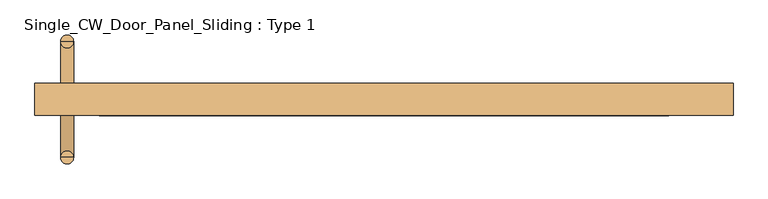
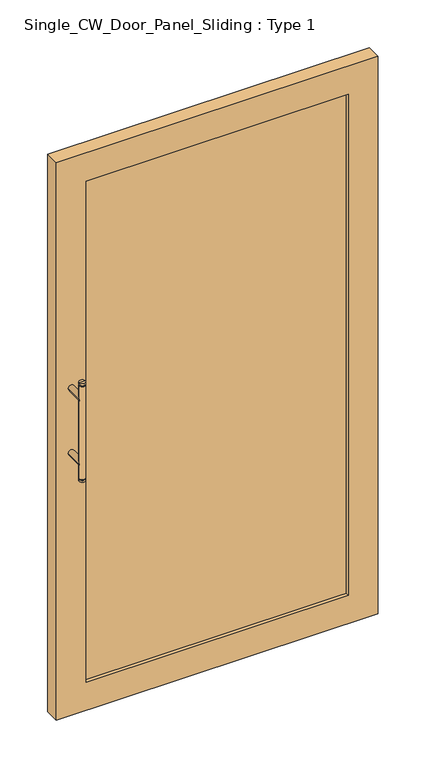
"""IFC4 building model written with IfcOpenShell, lengths in millimetres: door geometry, Single_CW_Door_Panel_Sliding : Type 1."""

from ifc_helpers import new_model, si_unit, point, frame, frame_2d, origin, place, context, project, spatial, polyline, circle_curve, trimmed, segment, composite_curve, outline, extrude, source, transform, mapped, element, save
from ifc_brep_helpers import plane_surface, cylinder_surface, advanced_brep


def single_cw_door_panel_sliding_type_1_cf490c95(model_context):
    return source(origin(), model_context, "Body", "SolidModel", [
        advanced_brep(
        [(-481.5374871, -90.0, 1219.0), (-481.5374871, -90.0, 1225.0), (-501.5374871, -90.0, 1225.0), (-501.5374871, -90.0, 1219.0), (-499.5698372, -90.0, 1214.7650043), (-499.5698372, -90.0, 1219.0), (-483.505137, -90.0, 1219.0), (-483.505137, -90.0, 1214.7650043), (-481.5374871, -90.0, 1214.7650043), (-501.5374871, -90.0, 1214.7650043), (-481.5374871, -90.0, 885.2349957), (-501.5374871, -90.0, 885.2349957), (-483.505137, -90.0, 885.2349957), (-499.5698372, -90.0, 885.2349957), (-483.505137, -90.0, 881.0), (-499.5698372, -90.0, 881.0), (-481.5374871, -90.0, 881.0), (-501.5374871, -90.0, 881.0), (-481.5374871, -90.0, 875.0), (-501.5374871, -90.0, 875.0), (-491.5374871, -90.0, 875.0), (-491.5374871, -90.0, 1225.0)],
        [
            (0, 1),
            (1, 2, circle_curve(frame((-491.5374871, -90.0, 1225.0), z_axis=(0.0, 0.0, -1.0), x_axis=(-1.0, 0.0, 0.0)), 10.0)),
            (2, 3),
            (3, 0, circle_curve(frame((-491.5374871, -90.0, 1219.0), z_axis=(0.0, 0.0, 1.0), x_axis=(-1.0, 0.0, 0.0)), 10.0)),
            (4, 5),
            (5, 6, circle_curve(frame((-491.5374871, -90.0, 1219.0), z_axis=(0.0, 0.0, -1.0), x_axis=(-1.0, 0.0, 0.0)), 8.0323501)),
            (6, 7),
            (7, 4, circle_curve(frame((-491.5374871, -90.0, 1214.7650043), z_axis=(0.0, 0.0, 1.0), x_axis=(-1.0, 0.0, 0.0)), 8.0323501)),
            (2, 1, circle_curve(frame((-491.5374871, -90.0, 1225.0), z_axis=(0.0, 0.0, -1.0), x_axis=(-1.0, 0.0, 0.0)), 10.0)),
            (0, 3, circle_curve(frame((-491.5374871, -90.0, 1219.0), z_axis=(0.0, 0.0, 1.0), x_axis=(-1.0, 0.0, 0.0)), 10.0)),
            (6, 0),
            (3, 5),
            (5, 6, circle_curve(frame((-491.5374871, -90.0, 1219.0), z_axis=(0.0, 0.0, 1.0), x_axis=(-1.0, 0.0, 0.0)), 8.0323501)),
            (4, 7, circle_curve(frame((-491.5374871, -90.0, 1214.7650043), z_axis=(0.0, 0.0, 1.0), x_axis=(-1.0, 0.0, 0.0)), 8.0323501)),
            (8, 7),
            (4, 9),
            (9, 8, circle_curve(frame((-491.5374871, -90.0, 1214.7650043), z_axis=(0.0, 0.0, 1.0), x_axis=(-1.0, 0.0, 0.0)), 10.0)),
            (8, 9, circle_curve(frame((-491.5374871, -90.0, 1214.7650043), z_axis=(0.0, 0.0, 1.0), x_axis=(-1.0, 0.0, 0.0)), 10.0)),
            (10, 8),
            (9, 11),
            (11, 10, circle_curve(frame((-491.5374871, -90.0, 885.2349957), z_axis=(0.0, 0.0, 1.0), x_axis=(-1.0, 0.0, 0.0)), 10.0)),
            (10, 11, circle_curve(frame((-491.5374871, -90.0, 885.2349957), z_axis=(0.0, 0.0, 1.0), x_axis=(-1.0, 0.0, 0.0)), 10.0)),
            (12, 10),
            (11, 13),
            (13, 12, circle_curve(frame((-491.5374871, -90.0, 885.2349957), z_axis=(0.0, 0.0, 1.0), x_axis=(-1.0, 0.0, 0.0)), 8.0323501)),
            (12, 13, circle_curve(frame((-491.5374871, -90.0, 885.2349957), z_axis=(0.0, 0.0, 1.0), x_axis=(-1.0, 0.0, 0.0)), 8.0323501)),
            (14, 12),
            (13, 15),
            (15, 14, circle_curve(frame((-491.5374871, -90.0, 881.0), z_axis=(0.0, 0.0, 1.0), x_axis=(-1.0, 0.0, 0.0)), 8.0323501)),
            (14, 15, circle_curve(frame((-491.5374871, -90.0, 881.0), z_axis=(0.0, 0.0, 1.0), x_axis=(-1.0, 0.0, 0.0)), 8.0323501)),
            (16, 14),
            (15, 17),
            (17, 16, circle_curve(frame((-491.5374871, -90.0, 881.0), z_axis=(0.0, 0.0, 1.0), x_axis=(-1.0, 0.0, 0.0)), 10.0)),
            (16, 17, circle_curve(frame((-491.5374871, -90.0, 881.0), z_axis=(0.0, 0.0, 1.0), x_axis=(-1.0, 0.0, 0.0)), 10.0)),
            (18, 16),
            (17, 19),
            (19, 18, circle_curve(frame((-491.5374871, -90.0, 875.0), z_axis=(0.0, 0.0, 1.0), x_axis=(-1.0, 0.0, 0.0)), 10.0)),
            (18, 19, circle_curve(frame((-491.5374871, -90.0, 875.0), z_axis=(0.0, 0.0, 1.0), x_axis=(-1.0, 0.0, 0.0)), 10.0)),
            (20, 18),
            (19, 20),
            (1, 21),
            (21, 2),
        ],
        [
            cylinder_surface(frame((-491.5374871, -90.0, 850.0), z_axis=(0.0, 0.0, -1.0), x_axis=(-1.0, 0.0, 0.0)), 10.0),
            cylinder_surface(frame((-491.5374871, -90.0, 850.0), z_axis=(0.0, 0.0, -1.0), x_axis=(-1.0, 0.0, 0.0)), 8.0323501),
            plane_surface(frame((-491.5374871, -90.0, 1219.0), z_axis=(0.0, 0.0, -1.0), x_axis=(-1.0, 0.0, 0.0))),
            plane_surface(frame((-491.5374871, -90.0, 1214.7650043), z_axis=(0.0, 0.0, 1.0), x_axis=(-1.0, 0.0, 0.0))),
            plane_surface(frame((-491.5374871, -90.0, 885.2349957), z_axis=(0.0, 0.0, -1.0), x_axis=(-1.0, 0.0, 0.0))),
            plane_surface(frame((-491.5374871, -90.0, 881.0), z_axis=(0.0, 0.0, 1.0), x_axis=(-1.0, 0.0, 0.0))),
            plane_surface(frame((-491.5374871, -90.0, 875.0), z_axis=(0.0, 0.0, -1.0), x_axis=(-1.0, 0.0, 0.0))),
            plane_surface(frame((-491.5374871, -90.0, 1225.0), z_axis=(0.0, 0.0, 1.0), x_axis=(-1.0, 0.0, 0.0))),
        ],
        [
            (0, [[1, 2, 3, 4]]),
            (1, [[5, 6, 7, 8]]),
            (0, [[-3, 9, -1, 10]]),
            (2, [[11, -4, 12, 13]]),
            (2, [[-12, -10, -11, -6]]),
            (1, [[-7, -13, -5, 14]]),
            (3, [[15, -14, 16, 17]]),
            (3, [[-16, -8, -15, 18]]),
            (0, [[19, -17, 20, 21]]),
            (0, [[-20, -18, -19, 22]]),
            (4, [[23, -21, 24, 25]]),
            (4, [[-24, -22, -23, 26]]),
            (1, [[27, -25, 28, 29]]),
            (1, [[-28, -26, -27, 30]]),
            (5, [[31, -29, 32, 33]]),
            (5, [[-32, -30, -31, 34]]),
            (0, [[35, -33, 36, 37]]),
            (0, [[-36, -34, -35, 38]]),
            (6, [[39, -37, 40]]),
            (6, [[-40, -38, -39]]),
            (7, [[41, 42, -2]]),
            (7, [[-42, -41, -9]]),
        ],
    ),
        extrude(outline(composite_curve([segment(trimmed(circle_curve(frame_2d((935.0, -491.5374871)), 10.0), [point((935.0, -501.5374871))], [point((935.0, -481.5374871))], False, "CARTESIAN"), True, "CONTINUOUS"), segment(trimmed(circle_curve(frame_2d((935.0, -491.5374871)), 10.0), [point((935.0, -481.5374871))], [point((935.0, -501.5374871))], False, "CARTESIAN"), True, "CONTINUOUS")], self_intersect=False)), frame((0.0, -90.0, 0.0), z_axis=(0.0, 1.0, 0.0), x_axis=(0.0, 0.0, 1.0)), (0.0, 0.0, 1.0), 65.0),
        extrude(outline(composite_curve([segment(trimmed(circle_curve(frame_2d((1165.0, -491.5374871)), 10.0), [point((1165.0, -501.5374871))], [point((1165.0, -481.5374871))], False, "CARTESIAN"), True, "CONTINUOUS"), segment(trimmed(circle_curve(frame_2d((1165.0, -491.5374871)), 10.0), [point((1165.0, -481.5374871))], [point((1165.0, -501.5374871))], False, "CARTESIAN"), True, "CONTINUOUS")], self_intersect=False)), frame((0.0, -90.0, 0.0), z_axis=(0.0, 1.0, 0.0), x_axis=(0.0, 0.0, 1.0)), (0.0, 0.0, 1.0), 65.0),
        extrude(outline(polyline([(441.5374871, -12.5), (-441.5374871, -12.5), (-441.5374871, 12.5), (441.5374871, 12.5), (441.5374871, -12.5)])), frame((0.0, 0.0, 100.0), z_axis=(0.0, 0.0, 1.0), x_axis=(1.0, 0.0, 0.0)), (0.0, 0.0, 1.0), 1781.754825),
        extrude(outline(polyline([(1981.754825, 541.5374871), (1981.754825, -541.5374871), (0.0, -541.5374871), (0.0, 541.5374871), (1981.754825, 541.5374871)]), holes=[polyline([(1881.754825, 441.5374871), (100.0, 441.5374871), (100.0, -441.5374871), (1881.754825, -441.5374871), (1881.754825, 441.5374871)])]), frame((0.0, -25.0, 0.0), z_axis=(0.0, 1.0, 0.0), x_axis=(0.0, 0.0, 1.0)), (0.0, 0.0, 1.0), 50.0),
        advanced_brep(
        [(-481.5374871, 90.0, 1219.0), (-501.5374871, 90.0, 1219.0), (-501.5374871, 90.0, 1225.0), (-481.5374871, 90.0, 1225.0), (-499.5698372, 90.0, 1214.7650043), (-483.505137, 90.0, 1214.7650043), (-483.505137, 90.0, 1219.0), (-499.5698372, 90.0, 1219.0), (-481.5374871, 90.0, 1214.7650043), (-501.5374871, 90.0, 1214.7650043), (-481.5374871, 90.0, 885.2349957), (-501.5374871, 90.0, 885.2349957), (-483.505137, 90.0, 885.2349957), (-499.5698372, 90.0, 885.2349957), (-483.505137, 90.0, 881.0), (-499.5698372, 90.0, 881.0), (-481.5374871, 90.0, 881.0), (-501.5374871, 90.0, 881.0), (-481.5374871, 90.0, 875.0), (-501.5374871, 90.0, 875.0), (-491.5374871, 90.0, 875.0), (-491.5374871, 90.0, 1225.0)],
        [
            (0, 1, circle_curve(frame((-491.5374871, 90.0, 1219.0), z_axis=(0.0, 0.0, 1.0), x_axis=(-1.0, 0.0, 0.0)), 10.0)),
            (1, 2),
            (2, 3, circle_curve(frame((-491.5374871, 90.0, 1225.0), z_axis=(0.0, 0.0, -1.0), x_axis=(-1.0, 0.0, 0.0)), 10.0)),
            (3, 0),
            (4, 5, circle_curve(frame((-491.5374871, 90.0, 1214.7650043), z_axis=(0.0, 0.0, 1.0), x_axis=(-1.0, 0.0, 0.0)), 8.0323501)),
            (5, 6),
            (6, 7, circle_curve(frame((-491.5374871, 90.0, 1219.0), z_axis=(0.0, 0.0, -1.0), x_axis=(-1.0, 0.0, 0.0)), 8.0323501)),
            (7, 4),
            (1, 0, circle_curve(frame((-491.5374871, 90.0, 1219.0), z_axis=(0.0, 0.0, 1.0), x_axis=(-1.0, 0.0, 0.0)), 10.0)),
            (3, 2, circle_curve(frame((-491.5374871, 90.0, 1225.0), z_axis=(0.0, 0.0, -1.0), x_axis=(-1.0, 0.0, 0.0)), 10.0)),
            (6, 7, circle_curve(frame((-491.5374871, 90.0, 1219.0), z_axis=(0.0, 0.0, 1.0), x_axis=(-1.0, 0.0, 0.0)), 8.0323501)),
            (7, 1),
            (0, 6),
            (5, 4, circle_curve(frame((-491.5374871, 90.0, 1214.7650043), z_axis=(0.0, 0.0, 1.0), x_axis=(-1.0, 0.0, 0.0)), 8.0323501)),
            (8, 9, circle_curve(frame((-491.5374871, 90.0, 1214.7650043), z_axis=(0.0, 0.0, 1.0), x_axis=(-1.0, 0.0, 0.0)), 10.0)),
            (9, 4),
            (5, 8),
            (9, 8, circle_curve(frame((-491.5374871, 90.0, 1214.7650043), z_axis=(0.0, 0.0, 1.0), x_axis=(-1.0, 0.0, 0.0)), 10.0)),
            (10, 11, circle_curve(frame((-491.5374871, 90.0, 885.2349957), z_axis=(0.0, 0.0, 1.0), x_axis=(-1.0, 0.0, 0.0)), 10.0)),
            (11, 9),
            (8, 10),
            (11, 10, circle_curve(frame((-491.5374871, 90.0, 885.2349957), z_axis=(0.0, 0.0, 1.0), x_axis=(-1.0, 0.0, 0.0)), 10.0)),
            (12, 13, circle_curve(frame((-491.5374871, 90.0, 885.2349957), z_axis=(0.0, 0.0, 1.0), x_axis=(-1.0, 0.0, 0.0)), 8.0323501)),
            (13, 11),
            (10, 12),
            (13, 12, circle_curve(frame((-491.5374871, 90.0, 885.2349957), z_axis=(0.0, 0.0, 1.0), x_axis=(-1.0, 0.0, 0.0)), 8.0323501)),
            (14, 15, circle_curve(frame((-491.5374871, 90.0, 881.0), z_axis=(0.0, 0.0, 1.0), x_axis=(-1.0, 0.0, 0.0)), 8.0323501)),
            (15, 13),
            (12, 14),
            (15, 14, circle_curve(frame((-491.5374871, 90.0, 881.0), z_axis=(0.0, 0.0, 1.0), x_axis=(-1.0, 0.0, 0.0)), 8.0323501)),
            (16, 17, circle_curve(frame((-491.5374871, 90.0, 881.0), z_axis=(0.0, 0.0, 1.0), x_axis=(-1.0, 0.0, 0.0)), 10.0)),
            (17, 15),
            (14, 16),
            (17, 16, circle_curve(frame((-491.5374871, 90.0, 881.0), z_axis=(0.0, 0.0, 1.0), x_axis=(-1.0, 0.0, 0.0)), 10.0)),
            (18, 19, circle_curve(frame((-491.5374871, 90.0, 875.0), z_axis=(0.0, 0.0, 1.0), x_axis=(-1.0, 0.0, 0.0)), 10.0)),
            (19, 17),
            (16, 18),
            (19, 18, circle_curve(frame((-491.5374871, 90.0, 875.0), z_axis=(0.0, 0.0, 1.0), x_axis=(-1.0, 0.0, 0.0)), 10.0)),
            (20, 19),
            (18, 20),
            (2, 21),
            (21, 3),
        ],
        [
            cylinder_surface(frame((-491.5374871, 90.0, 850.0), z_axis=(0.0, 0.0, -1.0), x_axis=(-1.0, 0.0, 0.0)), 10.0),
            cylinder_surface(frame((-491.5374871, 90.0, 850.0), z_axis=(0.0, 0.0, -1.0), x_axis=(-1.0, 0.0, 0.0)), 8.0323501),
            plane_surface(frame((-491.5374871, 90.0, 1219.0), z_axis=(0.0, 0.0, -1.0), x_axis=(-1.0, 0.0, 0.0))),
            plane_surface(frame((-491.5374871, 90.0, 1214.7650043), z_axis=(0.0, 0.0, 1.0), x_axis=(-1.0, 0.0, 0.0))),
            plane_surface(frame((-491.5374871, 90.0, 885.2349957), z_axis=(0.0, 0.0, -1.0), x_axis=(-1.0, 0.0, 0.0))),
            plane_surface(frame((-491.5374871, 90.0, 881.0), z_axis=(0.0, 0.0, 1.0), x_axis=(-1.0, 0.0, 0.0))),
            plane_surface(frame((-491.5374871, 90.0, 875.0), z_axis=(0.0, 0.0, -1.0), x_axis=(-1.0, 0.0, 0.0))),
            plane_surface(frame((-491.5374871, 90.0, 1225.0), z_axis=(0.0, 0.0, 1.0), x_axis=(-1.0, 0.0, 0.0))),
        ],
        [
            (0, [[1, 2, 3, 4]]),
            (1, [[5, 6, 7, 8]]),
            (0, [[9, -4, 10, -2]]),
            (2, [[11, 12, -1, 13]]),
            (2, [[-7, -13, -9, -12]]),
            (1, [[14, -8, -11, -6]]),
            (3, [[15, 16, -14, 17]]),
            (3, [[18, -17, -5, -16]]),
            (0, [[19, 20, -15, 21]]),
            (0, [[22, -21, -18, -20]]),
            (4, [[23, 24, -19, 25]]),
            (4, [[26, -25, -22, -24]]),
            (1, [[27, 28, -23, 29]]),
            (1, [[30, -29, -26, -28]]),
            (5, [[31, 32, -27, 33]]),
            (5, [[34, -33, -30, -32]]),
            (0, [[35, 36, -31, 37]]),
            (0, [[38, -37, -34, -36]]),
            (6, [[39, -35, 40]]),
            (6, [[-40, -38, -39]]),
            (7, [[-3, 41, 42]]),
            (7, [[-10, -42, -41]]),
        ],
    ),
        extrude(outline(composite_curve([segment(trimmed(circle_curve(frame_2d((1165.0, -491.5374871)), 10.0), [point((1165.0, -501.5374871))], [point((1165.0, -481.5374871))], False, "CARTESIAN"), True, "CONTINUOUS"), segment(trimmed(circle_curve(frame_2d((1165.0, -491.5374871)), 10.0), [point((1165.0, -481.5374871))], [point((1165.0, -501.5374871))], False, "CARTESIAN"), True, "CONTINUOUS")], self_intersect=False)), frame((0.0, 25.0, 0.0), z_axis=(0.0, 1.0, 0.0), x_axis=(0.0, 0.0, 1.0)), (0.0, 0.0, 1.0), 65.0),
        extrude(outline(composite_curve([segment(trimmed(circle_curve(frame_2d((935.0, -491.5374871)), 10.0), [point((935.0, -501.5374871))], [point((935.0, -481.5374871))], False, "CARTESIAN"), True, "CONTINUOUS"), segment(trimmed(circle_curve(frame_2d((935.0, -491.5374871)), 10.0), [point((935.0, -481.5374871))], [point((935.0, -501.5374871))], False, "CARTESIAN"), True, "CONTINUOUS")], self_intersect=False)), frame((0.0, 25.0, 0.0), z_axis=(0.0, 1.0, 0.0), x_axis=(0.0, 0.0, 1.0)), (0.0, 0.0, 1.0), 65.0),
    ])


if __name__ == "__main__":
    model = new_model("IFC4")
    model_context = context("Model", 3, world=origin())
    ifc_project = project(units=[si_unit("LENGTHUNIT", "METRE", prefix="MILLI")], contexts=[model_context])
    site = spatial("IfcSite", under=ifc_project)
    building = spatial("IfcBuilding", under=site)
    placement = place(None, origin())
    single_cw_door_panel_sliding_type_1_shape = single_cw_door_panel_sliding_type_1_cf490c95(model_context)
    element("IfcDoor", 1, ObjectType="Single_CW_Door_Panel_Sliding : Type 1", at=placement, inside=building, context=model_context, shape_type="MappedRepresentation", body=[
        mapped(single_cw_door_panel_sliding_type_1_shape, transform((0.0, 0.0, 0.0), x_axis=(1.0, 0.0, 0.0), y_axis=(0.0, 1.0, 0.0), z_axis=(0.0, 0.0, 1.0))),
    ])
    save(model, "model.ifc")
